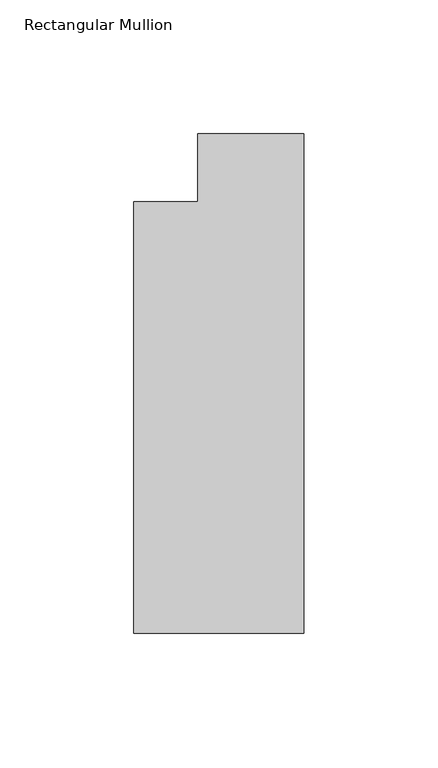
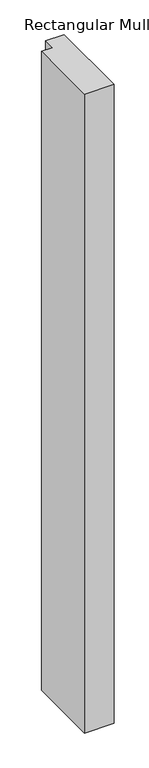
"""IFC4 building model written with IfcOpenShell, lengths in millimetres: member geometry, Rectangular Mullion."""

from ifc_helpers import new_model, si_unit, frame, origin, place, context, project, spatial, polyline, outline, extrude, source, transform, mapped, element, save


def rectangular_mullion_cada8a55(model_context):
    return source(origin(), model_context, "Body", "SweptSolid", [
        extrude(outline(polyline([(0.0, -173.83125), (-63.5, -173.83125), (-63.5, -12.7), (-39.6875, -12.7), (-39.6875, 12.7), (0.0, 12.7), (0.0, -173.83125)])), frame((0.0, 0.0, -1460.5), z_axis=(0.0, 0.0, 1.0), x_axis=(1.0, 0.0, 0.0)), (0.0, 0.0, 1.0), 1460.5),
    ])


if __name__ == "__main__":
    model = new_model("IFC4")
    model_context = context("Model", 3, world=origin())
    ifc_project = project(units=[si_unit("LENGTHUNIT", "METRE", prefix="MILLI")], contexts=[model_context])
    site = spatial("IfcSite", under=ifc_project)
    building = spatial("IfcBuilding", under=site)
    placement = place(None, origin())
    rectangular_mullion_shape = rectangular_mullion_cada8a55(model_context)
    element("IfcMember", 1, ObjectType="Rectangular Mullion", at=placement, inside=building, context=model_context, shape_type="MappedRepresentation", body=[
        mapped(rectangular_mullion_shape, transform((0.0, 0.0, 0.0), x_axis=(1.0, 0.0, 0.0), y_axis=(0.0, 1.0, 0.0), z_axis=(0.0, 0.0, 1.0))),
    ])
    save(model, "model.ifc")
